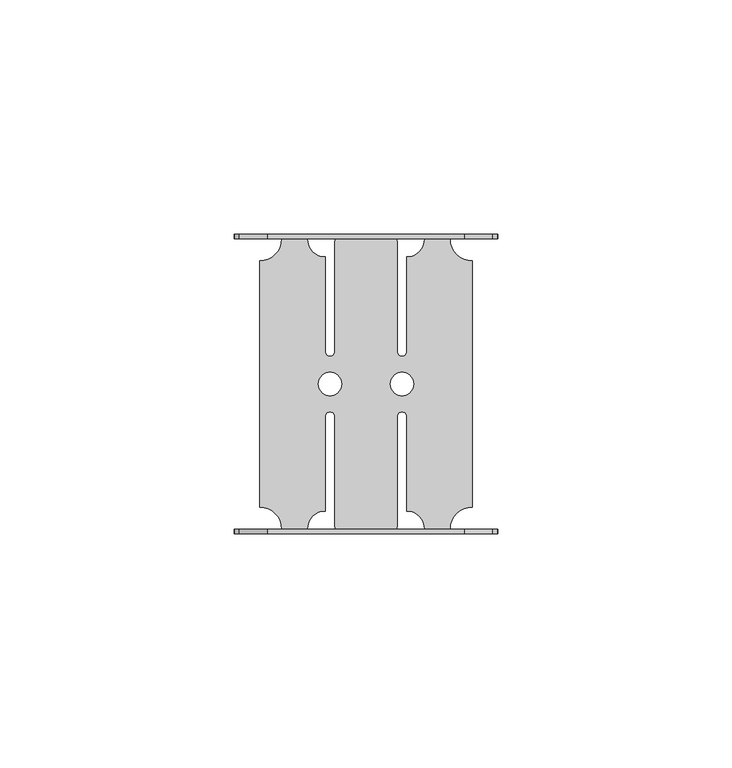
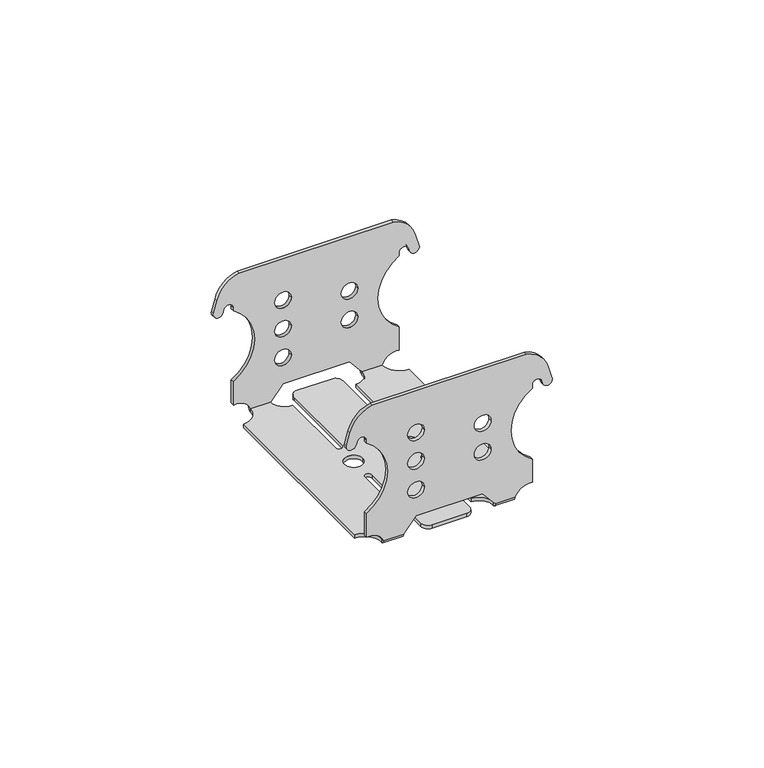
"""IFC4 building model written with IfcOpenShell, lengths in millimetres: proxy geometry."""

from ifc_helpers import new_model, si_unit, frame, origin, place, context, project, spatial, polyline, circle_curve, source, transform, mapped, element, save
from ifc_brep_helpers import plane_surface, cylinder_surface, revolved_surface, advanced_brep


def generic_models_decb46ae(model_context):
    return source(origin(), model_context, "Body", "AdvancedBrep", [
        advanced_brep(
        [(-22.6449775, 26.3068253, -1.0), (-17.9518027, 31.0, -1.0), (-12.5472909, 31.0, -1.0), (-8.690775, 27.143484, -1.0), (-8.690775, 6.9302653, -1.0), (-6.690775, 6.9302653, -1.0), (-6.690775, 30.0, -1.0), (-4.690775, 32.0, -1.0), (4.690775, 32.0, -1.0), (6.690775, 30.0, -1.0), (6.690775, 6.9302653, -1.0), (8.690775, 6.9302653, -1.0), (8.690775, 27.143484, -1.0), (12.5472909, 31.0, -1.0), (17.9518027, 31.0, -1.0), (22.6449775, 26.3068253, -1.0), (22.6449775, -26.3068253, -1.0), (17.9518027, -31.0, -1.0), (12.5472909, -31.0, -1.0), (8.690775, -27.143484, -1.0), (8.690775, -6.9302653, -1.0), (6.690775, -6.9302653, -1.0), (6.690775, -30.0, -1.0), (4.690775, -32.0, -1.0), (-4.690775, -32.0, -1.0), (-6.690775, -30.0, -1.0), (-6.690775, -6.9302653, -1.0), (-8.690775, -6.9302653, -1.0), (-8.690775, -27.143484, -1.0), (-12.5472909, -31.0, -1.0), (-17.9518027, -31.0, -1.0), (-22.6449775, -26.3068253, -1.0), (-10.1727637, 0.0, -1.0), (-5.2087862, 0.0, -1.0), (10.1727637, 0.0, -1.0), (5.2087862, 0.0, -1.0), (-22.6449775, 26.3068253, 0.0), (-22.6449775, -26.3068253, 0.0), (-17.9518027, -31.0, 0.0), (-12.5472909, -31.0, 0.0), (-8.690775, -27.143484, 0.0), (-8.690775, -6.9302653, 0.0), (-6.690775, -6.9302653, 0.0), (-6.690775, -30.0, 0.0), (-4.690775, -32.0, 0.0), (4.690775, -32.0, 0.0), (6.690775, -30.0, 0.0), (6.690775, -6.9302653, 0.0), (8.690775, -6.9302653, 0.0), (8.690775, -27.143484, 0.0), (12.5472909, -31.0, 0.0), (17.9518027, -31.0, 0.0), (22.6449775, -26.3068253, 0.0), (22.6449775, 26.3068253, 0.0), (17.9518027, 31.0, 0.0), (12.5472909, 31.0, 0.0), (8.690775, 27.143484, 0.0), (8.690775, 6.9302653, 0.0), (6.690775, 6.9302653, 0.0), (6.690775, 30.0, 0.0), (4.690775, 32.0, 0.0), (-4.690775, 32.0, 0.0), (-6.690775, 30.0, 0.0), (-6.690775, 6.9302653, 0.0), (-8.690775, 6.9302653, 0.0), (-8.690775, 27.143484, 0.0), (-12.5472909, 31.0, 0.0), (-17.9518027, 31.0, 0.0), (-10.1727637, 0.0, 0.0), (-5.2087862, 0.0, 0.0), (10.1727637, 0.0, 0.0), (5.2087862, 0.0, 0.0), (17.9518027, -32.0, 0.0), (12.5472909, -32.0, 0.0), (-21.0796159, -31.0, 40.2200619), (21.0796159, -31.0, 40.2200619), (27.0948007, -31.0, 34.352135), (28.0978383, -31.0, 31.0296566), (25.5247095, -31.0, 30.2633565), (25.2735464, -31.0, 31.1021726), (22.6449775, -31.0, 30.7645502), (22.6449775, -31.0, 29.8568282), (22.6449775, -31.0, 9.410251), (22.6449775, -31.0, 2.6528515), (9.1052961, -31.0, 4.0831944), (-9.1052961, -31.0, 4.0831944), (-22.6449775, -31.0, 2.6528515), (-22.6449775, -31.0, 9.410251), (-22.6449775, -31.0, 29.8568282), (-22.6449775, -31.0, 30.7645502), (-25.2735464, -31.0, 31.1021726), (-25.5247095, -31.0, 30.2633565), (-28.0978383, -31.0, 31.0296566), (-27.0948007, -31.0, 34.352135), (-11.3852961, -31.0, 11.6790271), (-6.8252961, -31.0, 11.6790271), (-6.8252961, -31.0, 19.9566493), (-11.3852961, -31.0, 19.9566493), (-11.3852961, -31.0, 28.2342716), (-6.8252961, -31.0, 28.2342716), (11.3852961, -31.0, 16.2390271), (6.8252961, -31.0, 16.2390271), (6.8252961, -31.0, 24.5166493), (11.3852961, -31.0, 24.5166493), (-21.0796159, -32.0, 40.2200619), (-27.0948007, -32.0, 34.352135), (-28.0978383, -32.0, 31.0296566), (-25.5247095, -32.0, 30.2633565), (-25.2735464, -32.0, 31.1021726), (-22.6449775, -32.0, 30.7645502), (-22.6449775, -32.0, 29.8568282), (-22.6449775, -32.0, 9.410251), (-22.6449775, -32.0, 2.6528515), (-17.9518027, -32.0, 0.0), (-12.5472909, -32.0, 0.0), (-9.1052961, -32.0, 4.0831944), (9.1052961, -32.0, 4.0831944), (22.6449775, -32.0, 2.6528515), (22.6449775, -32.0, 9.410251), (22.6449775, -32.0, 29.8568282), (22.6449775, -32.0, 30.7645502), (25.2735464, -32.0, 31.1021726), (25.5247095, -32.0, 30.2633565), (28.0978383, -32.0, 31.0296566), (27.0948007, -32.0, 34.352135), (21.0796159, -32.0, 40.2200619), (-11.3852961, -32.0, 11.6790271), (-6.8252961, -32.0, 11.6790271), (-6.8252961, -32.0, 19.9566493), (-11.3852961, -32.0, 19.9566493), (-11.3852961, -32.0, 28.2342716), (-6.8252961, -32.0, 28.2342716), (11.3852961, -32.0, 16.2390271), (6.8252961, -32.0, 16.2390271), (6.8252961, -32.0, 24.5166493), (11.3852961, -32.0, 24.5166493), (17.9518027, 32.0, 0.0), (12.5472909, 32.0, 0.0), (-12.5472909, 32.0, 0.0), (-17.9518027, 32.0, 0.0), (-21.0796159, 31.0, 40.2200619), (-27.0948007, 31.0, 34.352135), (-28.0978383, 31.0, 31.0296566), (-25.5247095, 31.0, 30.2633565), (-25.2735464, 31.0, 31.1021726), (-22.6449775, 31.0, 30.7645502), (-22.6449775, 31.0, 29.8568282), (-22.6449775, 31.0, 9.410251), (-22.6449775, 31.0, 2.6528515), (-9.1052961, 31.0, 4.0831944), (9.1052961, 31.0, 4.0831944), (22.6449775, 31.0, 2.6528515), (22.6449775, 31.0, 9.410251), (22.6449775, 31.0, 29.8568282), (22.6449775, 31.0, 30.7645502), (25.2735464, 31.0, 31.1021726), (25.5247095, 31.0, 30.2633565), (28.0978383, 31.0, 31.0296566), (27.0948007, 31.0, 34.352135), (21.0796159, 31.0, 40.2200619), (-11.3852961, 31.0, 11.6790271), (-6.8252961, 31.0, 11.6790271), (-6.8252961, 31.0, 19.9566493), (-11.3852961, 31.0, 19.9566493), (-11.3852961, 31.0, 28.2342716), (-6.8252961, 31.0, 28.2342716), (11.3852961, 31.0, 16.2390271), (6.8252961, 31.0, 16.2390271), (6.8252961, 31.0, 24.5166493), (11.3852961, 31.0, 24.5166493), (-21.0796159, 32.0, 40.2200619), (21.0796159, 32.0, 40.2200619), (27.0948007, 32.0, 34.352135), (28.0978383, 32.0, 31.0296566), (25.5247095, 32.0, 30.2633565), (25.2735464, 32.0, 31.1021726), (22.6449775, 32.0, 30.7645502), (22.6449775, 32.0, 29.8568282), (22.6449775, 32.0, 9.410251), (22.6449775, 32.0, 2.6528515), (9.1052961, 32.0, 4.0831944), (-9.1052961, 32.0, 4.0831944), (-22.6449775, 32.0, 2.6528515), (-22.6449775, 32.0, 9.410251), (-22.6449775, 32.0, 29.8568282), (-22.6449775, 32.0, 30.7645502), (-25.2735464, 32.0, 31.1021726), (-25.5247095, 32.0, 30.2633565), (-28.0978383, 32.0, 31.0296566), (-27.0948007, 32.0, 34.352135), (-11.3852961, 32.0, 11.6790271), (-6.8252961, 32.0, 11.6790271), (-6.8252961, 32.0, 19.9566493), (-11.3852961, 32.0, 19.9566493), (-11.3852961, 32.0, 28.2342716), (-6.8252961, 32.0, 28.2342716), (11.3852961, 32.0, 16.2390271), (6.8252961, 32.0, 16.2390271), (6.8252961, 32.0, 24.5166493), (11.3852961, 32.0, 24.5166493)],
        [
            (0, 1, circle_curve(frame((-22.6449775, 31.0, -1.0), z_axis=(0.0, 0.0, 1.0), x_axis=(1.0, 0.0, 0.0)), 4.6931747)),
            (1, 2),
            (2, 3, circle_curve(frame((-8.690775, 31.0, -1.0), z_axis=(0.0, 0.0, 1.0), x_axis=(1.0, 0.0, 0.0)), 3.856516)),
            (3, 4),
            (4, 5, circle_curve(frame((-7.690775, 6.9302653, -1.0), z_axis=(0.0, 0.0, 1.0), x_axis=(1.0, 0.0, 0.0)), 1.0)),
            (5, 6),
            (6, 7, circle_curve(frame((-4.690775, 30.0, -1.0), z_axis=(0.0, 0.0, -1.0), x_axis=(1.0, 0.0, 0.0)), 2.0)),
            (7, 8),
            (8, 9, circle_curve(frame((4.690775, 30.0, -1.0), z_axis=(0.0, 0.0, -1.0), x_axis=(-1.0, 0.0, 0.0)), 2.0)),
            (9, 10),
            (10, 11, circle_curve(frame((7.690775, 6.9302653, -1.0), z_axis=(0.0, 0.0, 1.0), x_axis=(-1.0, 0.0, 0.0)), 1.0)),
            (11, 12),
            (12, 13, circle_curve(frame((8.690775, 31.0, -1.0), z_axis=(0.0, 0.0, 1.0), x_axis=(-1.0, 0.0, 0.0)), 3.856516)),
            (13, 14),
            (14, 15, circle_curve(frame((22.6449775, 31.0, -1.0), z_axis=(0.0, 0.0, 1.0), x_axis=(-1.0, 0.0, 0.0)), 4.6931747)),
            (15, 16),
            (16, 17, circle_curve(frame((22.6449775, -31.0, -1.0), z_axis=(0.0, 0.0, 1.0), x_axis=(-1.0, 0.0, 0.0)), 4.6931747)),
            (17, 18),
            (18, 19, circle_curve(frame((8.690775, -31.0, -1.0), z_axis=(0.0, 0.0, 1.0), x_axis=(-1.0, 0.0, 0.0)), 3.856516)),
            (19, 20),
            (20, 21, circle_curve(frame((7.690775, -6.9302653, -1.0), z_axis=(0.0, 0.0, 1.0), x_axis=(-1.0, 0.0, 0.0)), 1.0)),
            (21, 22),
            (22, 23, circle_curve(frame((4.690775, -30.0, -1.0), z_axis=(0.0, 0.0, -1.0), x_axis=(-1.0, 0.0, 0.0)), 2.0)),
            (23, 24),
            (24, 25, circle_curve(frame((-4.690775, -30.0, -1.0), z_axis=(0.0, 0.0, -1.0), x_axis=(1.0, 0.0, 0.0)), 2.0)),
            (25, 26),
            (26, 27, circle_curve(frame((-7.690775, -6.9302653, -1.0), z_axis=(0.0, 0.0, 1.0), x_axis=(1.0, 0.0, 0.0)), 1.0)),
            (27, 28),
            (28, 29, circle_curve(frame((-8.690775, -31.0, -1.0), z_axis=(0.0, 0.0, 1.0), x_axis=(1.0, 0.0, 0.0)), 3.856516)),
            (29, 30),
            (30, 31, circle_curve(frame((-22.6449775, -31.0, -1.0), z_axis=(0.0, 0.0, 1.0), x_axis=(1.0, 0.0, 0.0)), 4.6931747)),
            (31, 0),
            (32, 33, circle_curve(frame((-7.690775, 0.0, -1.0), z_axis=(0.0, 0.0, 1.0), x_axis=(1.0, 0.0, 0.0)), 2.4819887)),
            (33, 32, circle_curve(frame((-7.690775, 0.0, -1.0), z_axis=(0.0, 0.0, 1.0), x_axis=(1.0, 0.0, 0.0)), 2.4819887)),
            (34, 35, circle_curve(frame((7.690775, 0.0, -1.0), z_axis=(0.0, 0.0, 1.0), x_axis=(-1.0, 0.0, 0.0)), 2.4819887)),
            (35, 34, circle_curve(frame((7.690775, 0.0, -1.0), z_axis=(0.0, 0.0, 1.0), x_axis=(-1.0, 0.0, 0.0)), 2.4819887)),
            (36, 37),
            (37, 38, circle_curve(frame((-22.6449775, -31.0, 0.0), z_axis=(0.0, 0.0, -1.0), x_axis=(1.0, 0.0, 0.0)), 4.6931747)),
            (38, 39),
            (39, 40, circle_curve(frame((-8.690775, -31.0, 0.0), z_axis=(0.0, 0.0, -1.0), x_axis=(1.0, 0.0, 0.0)), 3.856516)),
            (40, 41),
            (41, 42, circle_curve(frame((-7.690775, -6.9302653, 0.0), z_axis=(0.0, 0.0, -1.0), x_axis=(1.0, 0.0, 0.0)), 1.0)),
            (42, 43),
            (43, 44, circle_curve(frame((-4.690775, -30.0, 0.0), z_axis=(0.0, 0.0, 1.0), x_axis=(1.0, 0.0, 0.0)), 2.0)),
            (44, 45),
            (45, 46, circle_curve(frame((4.690775, -30.0, 0.0), z_axis=(0.0, 0.0, 1.0), x_axis=(-1.0, 0.0, 0.0)), 2.0)),
            (46, 47),
            (47, 48, circle_curve(frame((7.690775, -6.9302653, 0.0), z_axis=(0.0, 0.0, -1.0), x_axis=(-1.0, 0.0, 0.0)), 1.0)),
            (48, 49),
            (49, 50, circle_curve(frame((8.690775, -31.0, 0.0), z_axis=(0.0, 0.0, -1.0), x_axis=(-1.0, 0.0, 0.0)), 3.856516)),
            (50, 51),
            (51, 52, circle_curve(frame((22.6449775, -31.0, 0.0), z_axis=(0.0, 0.0, -1.0), x_axis=(-1.0, 0.0, 0.0)), 4.6931747)),
            (52, 53),
            (53, 54, circle_curve(frame((22.6449775, 31.0, 0.0), z_axis=(0.0, 0.0, -1.0), x_axis=(-1.0, 0.0, 0.0)), 4.6931747)),
            (54, 55),
            (55, 56, circle_curve(frame((8.690775, 31.0, 0.0), z_axis=(0.0, 0.0, -1.0), x_axis=(-1.0, 0.0, 0.0)), 3.856516)),
            (56, 57),
            (57, 58, circle_curve(frame((7.690775, 6.9302653, 0.0), z_axis=(0.0, 0.0, -1.0), x_axis=(-1.0, 0.0, 0.0)), 1.0)),
            (58, 59),
            (59, 60, circle_curve(frame((4.690775, 30.0, 0.0), z_axis=(0.0, 0.0, 1.0), x_axis=(-1.0, 0.0, 0.0)), 2.0)),
            (60, 61),
            (61, 62, circle_curve(frame((-4.690775, 30.0, 0.0), z_axis=(0.0, 0.0, 1.0), x_axis=(1.0, 0.0, 0.0)), 2.0)),
            (62, 63),
            (63, 64, circle_curve(frame((-7.690775, 6.9302653, 0.0), z_axis=(0.0, 0.0, -1.0), x_axis=(1.0, 0.0, 0.0)), 1.0)),
            (64, 65),
            (65, 66, circle_curve(frame((-8.690775, 31.0, 0.0), z_axis=(0.0, 0.0, -1.0), x_axis=(1.0, 0.0, 0.0)), 3.856516)),
            (66, 67),
            (67, 36, circle_curve(frame((-22.6449775, 31.0, 0.0), z_axis=(0.0, 0.0, -1.0), x_axis=(1.0, 0.0, 0.0)), 4.6931747)),
            (68, 69, circle_curve(frame((-7.690775, 0.0, 0.0), z_axis=(0.0, 0.0, -1.0), x_axis=(1.0, 0.0, 0.0)), 2.4819887)),
            (69, 68, circle_curve(frame((-7.690775, 0.0, 0.0), z_axis=(0.0, 0.0, -1.0), x_axis=(1.0, 0.0, 0.0)), 2.4819887)),
            (70, 71, circle_curve(frame((7.690775, 0.0, 0.0), z_axis=(0.0, 0.0, -1.0), x_axis=(-1.0, 0.0, 0.0)), 2.4819887)),
            (71, 70, circle_curve(frame((7.690775, 0.0, 0.0), z_axis=(0.0, 0.0, -1.0), x_axis=(-1.0, 0.0, 0.0)), 2.4819887)),
            (31, 37),
            (36, 0),
            (27, 41),
            (40, 28),
            (26, 42),
            (25, 43),
            (24, 44),
            (23, 45),
            (22, 46),
            (21, 47),
            (20, 48),
            (19, 49),
            (15, 53),
            (52, 16),
            (11, 57),
            (56, 12),
            (10, 58),
            (9, 59),
            (8, 60),
            (7, 61),
            (6, 62),
            (5, 63),
            (4, 64),
            (3, 65),
            (33, 69),
            (68, 32),
            (35, 71),
            (70, 34),
            (14, 54),
            (55, 13),
            (67, 1),
            (2, 66),
            (51, 17),
            (18, 50),
            (39, 29),
            (30, 38),
            (72, 17, circle_curve(frame((17.9518027, -31.0, 0.0), z_axis=(1.0, 0.0, 0.0), x_axis=(0.0, -1.0, 0.0)), 1.0)),
            (51, 72),
            (18, 73, circle_curve(frame((12.5472909, -31.0, 0.0), z_axis=(-1.0, 0.0, 0.0), x_axis=(0.0, -1.0, 0.0)), 1.0)),
            (73, 50),
            (72, 73),
            (74, 75),
            (75, 76, circle_curve(frame((19.4475177, -31.0, 32.5299729), z_axis=(0.0, 1.0, 0.0), x_axis=(0.9727666340972111, 0.0, 0.23178670278336203)), 7.8613747)),
            (76, 77),
            (77, 78, circle_curve(frame((26.8157597, -31.0, 30.6314439), z_axis=(0.0, 1.0, 0.0), x_axis=(-0.96167806101762, 0.0, -0.2741811571888025)), 1.3424973)),
            (78, 79),
            (79, 80, circle_curve(frame((23.9809446, -31.0, 30.7645502), z_axis=(0.0, -1.0, 0.0), x_axis=(-1.0, 0.0, 0.0)), 1.3359671)),
            (80, 81),
            (81, 82, circle_curve(frame((28.6467898, -31.0, 19.6335396), z_axis=(0.0, -1.0, 0.0), x_axis=(-0.5062749988166371, 0.0, -0.862372092297295)), 11.8548463)),
            (82, 83),
            (83, 51, circle_curve(frame((21.8430555, -31.0, -1.4062507), z_axis=(0.0, -1.0, 0.0), x_axis=(-0.940470787983084, 0.0, 0.33987453118831534)), 4.1375584)),
            (50, 84),
            (84, 85),
            (85, 39),
            (38, 86, circle_curve(frame((-21.8430555, -31.0, -1.4062507), z_axis=(0.0, -1.0, 0.0), x_axis=(0.9404707879830851, 0.0, 0.3398745311883123)), 4.1375584)),
            (86, 87),
            (87, 88, circle_curve(frame((-28.6467898, -31.0, 19.6335396), z_axis=(0.0, -1.0, 0.0), x_axis=(0.5062749988166343, 0.0, -0.8623720922972966)), 11.8548463)),
            (88, 89),
            (89, 90, circle_curve(frame((-23.9809446, -31.0, 30.7645502), z_axis=(0.0, -1.0, 0.0), x_axis=(1.0, 0.0, 0.0)), 1.3359671)),
            (90, 91),
            (91, 92, circle_curve(frame((-26.8157597, -31.0, 30.6314439), z_axis=(0.0, 1.0, 0.0), x_axis=(0.9616780610176191, 0.0, -0.2741811571888056)), 1.3424973)),
            (92, 93),
            (93, 74, circle_curve(frame((-19.4475177, -31.0, 32.5299729), z_axis=(0.0, 1.0, 0.0), x_axis=(-0.9727666340972103, 0.0, 0.23178670278336516)), 7.8613747)),
            (94, 95, circle_curve(frame((-9.1052961, -31.0, 11.6790271), z_axis=(0.0, -1.0, 0.0), x_axis=(1.0, 0.0, 0.0)), 2.28)),
            (95, 94, circle_curve(frame((-9.1052961, -31.0, 11.6790271), z_axis=(0.0, -1.0, 0.0), x_axis=(-1.0, 0.0, 0.0)), 2.28)),
            (96, 97, circle_curve(frame((-9.1052961, -31.0, 19.9566493), z_axis=(0.0, -1.0, 0.0), x_axis=(-1.0, 0.0, 0.0)), 2.28)),
            (97, 96, circle_curve(frame((-9.1052961, -31.0, 19.9566493), z_axis=(0.0, -1.0, 0.0), x_axis=(1.0, 0.0, 0.0)), 2.28)),
            (98, 99, circle_curve(frame((-9.1052961, -31.0, 28.2342716), z_axis=(0.0, -1.0, 0.0), x_axis=(1.0, 0.0, 0.0)), 2.28)),
            (99, 98, circle_curve(frame((-9.1052961, -31.0, 28.2342716), z_axis=(0.0, -1.0, 0.0), x_axis=(-1.0, 0.0, 0.0)), 2.28)),
            (100, 101, circle_curve(frame((9.1052961, -31.0, 16.2390271), z_axis=(0.0, -1.0, 0.0), x_axis=(1.0, 0.0, 0.0)), 2.28)),
            (101, 100, circle_curve(frame((9.1052961, -31.0, 16.2390271), z_axis=(0.0, -1.0, 0.0), x_axis=(-1.0, 0.0, 0.0)), 2.28)),
            (102, 103, circle_curve(frame((9.1052961, -31.0, 24.5166493), z_axis=(0.0, -1.0, 0.0), x_axis=(-1.0, 0.0, 0.0)), 2.28)),
            (103, 102, circle_curve(frame((9.1052961, -31.0, 24.5166493), z_axis=(0.0, -1.0, 0.0), x_axis=(1.0, 0.0, 0.0)), 2.28)),
            (104, 105, circle_curve(frame((-19.4475177, -32.0, 32.5299729), z_axis=(0.0, -1.0, 0.0), x_axis=(-0.9727666340972103, 0.0, 0.23178670278336516)), 7.8613747)),
            (105, 106),
            (106, 107, circle_curve(frame((-26.8157597, -32.0, 30.6314439), z_axis=(0.0, -1.0, 0.0), x_axis=(0.9616780610176191, 0.0, -0.2741811571888056)), 1.3424973)),
            (107, 108),
            (108, 109, circle_curve(frame((-23.9809446, -32.0, 30.7645502), z_axis=(0.0, 1.0, 0.0), x_axis=(1.0, 0.0, 0.0)), 1.3359671)),
            (109, 110),
            (110, 111, circle_curve(frame((-28.6467898, -32.0, 19.6335396), z_axis=(0.0, 1.0, 0.0), x_axis=(0.5062749988166343, 0.0, -0.8623720922972966)), 11.8548463)),
            (111, 112),
            (112, 113, circle_curve(frame((-21.8430555, -32.0, -1.4062507), z_axis=(0.0, 1.0, 0.0), x_axis=(0.9404707879830851, 0.0, 0.3398745311883123)), 4.1375584)),
            (113, 114),
            (114, 115),
            (115, 116),
            (116, 73),
            (72, 117, circle_curve(frame((21.8430555, -32.0, -1.4062507), z_axis=(0.0, 1.0, 0.0), x_axis=(-0.940470787983084, 0.0, 0.33987453118831534)), 4.1375584)),
            (117, 118),
            (118, 119, circle_curve(frame((28.6467898, -32.0, 19.6335396), z_axis=(0.0, 1.0, 0.0), x_axis=(-0.5062749988166371, 0.0, -0.862372092297295)), 11.8548463)),
            (119, 120),
            (120, 121, circle_curve(frame((23.9809446, -32.0, 30.7645502), z_axis=(0.0, 1.0, 0.0), x_axis=(-1.0, 0.0, 0.0)), 1.3359671)),
            (121, 122),
            (122, 123, circle_curve(frame((26.8157597, -32.0, 30.6314439), z_axis=(0.0, -1.0, 0.0), x_axis=(-0.96167806101762, 0.0, -0.2741811571888025)), 1.3424973)),
            (123, 124),
            (124, 125, circle_curve(frame((19.4475177, -32.0, 32.5299729), z_axis=(0.0, -1.0, 0.0), x_axis=(0.9727666340972111, 0.0, 0.23178670278336203)), 7.8613747)),
            (125, 104),
            (126, 127, circle_curve(frame((-9.1052961, -32.0, 11.6790271), z_axis=(0.0, 1.0, 0.0), x_axis=(-1.0, 0.0, 0.0)), 2.28)),
            (127, 126, circle_curve(frame((-9.1052961, -32.0, 11.6790271), z_axis=(0.0, 1.0, 0.0), x_axis=(1.0, 0.0, 0.0)), 2.28)),
            (128, 129, circle_curve(frame((-9.1052961, -32.0, 19.9566493), z_axis=(0.0, 1.0, 0.0), x_axis=(1.0, 0.0, 0.0)), 2.28)),
            (129, 128, circle_curve(frame((-9.1052961, -32.0, 19.9566493), z_axis=(0.0, 1.0, 0.0), x_axis=(-1.0, 0.0, 0.0)), 2.28)),
            (130, 131, circle_curve(frame((-9.1052961, -32.0, 28.2342716), z_axis=(0.0, 1.0, 0.0), x_axis=(-1.0, 0.0, 0.0)), 2.28)),
            (131, 130, circle_curve(frame((-9.1052961, -32.0, 28.2342716), z_axis=(0.0, 1.0, 0.0), x_axis=(1.0, 0.0, 0.0)), 2.28)),
            (132, 133, circle_curve(frame((9.1052961, -32.0, 16.2390271), z_axis=(0.0, 1.0, 0.0), x_axis=(-1.0, 0.0, 0.0)), 2.28)),
            (133, 132, circle_curve(frame((9.1052961, -32.0, 16.2390271), z_axis=(0.0, 1.0, 0.0), x_axis=(1.0, 0.0, 0.0)), 2.28)),
            (134, 135, circle_curve(frame((9.1052961, -32.0, 24.5166493), z_axis=(0.0, 1.0, 0.0), x_axis=(1.0, 0.0, 0.0)), 2.28)),
            (135, 134, circle_curve(frame((9.1052961, -32.0, 24.5166493), z_axis=(0.0, 1.0, 0.0), x_axis=(-1.0, 0.0, 0.0)), 2.28)),
            (93, 105),
            (104, 74),
            (92, 106),
            (91, 107),
            (90, 108),
            (89, 109),
            (88, 110),
            (87, 111),
            (86, 112),
            (38, 113),
            (85, 115),
            (114, 39),
            (84, 116),
            (83, 117),
            (82, 118),
            (81, 119),
            (80, 120),
            (79, 121),
            (78, 122),
            (77, 123),
            (76, 124),
            (75, 125),
            (95, 127),
            (126, 94),
            (97, 129),
            (128, 96),
            (99, 131),
            (130, 98),
            (101, 133),
            (132, 100),
            (103, 135),
            (134, 102),
            (114, 29, circle_curve(frame((-12.5472909, -31.0, 0.0), z_axis=(1.0, 0.0, 0.0), x_axis=(0.0, -1.0, 0.0)), 1.0)),
            (30, 113, circle_curve(frame((-17.9518027, -31.0, 0.0), z_axis=(-1.0, 0.0, 0.0), x_axis=(0.0, -1.0, 0.0)), 1.0)),
            (14, 136, circle_curve(frame((17.9518027, 31.0, 0.0), z_axis=(1.0, 0.0, 0.0), x_axis=(0.0, 1.0, 0.0)), 1.0)),
            (136, 54),
            (137, 13, circle_curve(frame((12.5472909, 31.0, 0.0), z_axis=(-1.0, 0.0, 0.0), x_axis=(0.0, 1.0, 0.0)), 1.0)),
            (55, 137),
            (137, 136),
            (2, 138, circle_curve(frame((-12.5472909, 31.0, 0.0), z_axis=(1.0, 0.0, 0.0), x_axis=(0.0, 1.0, 0.0)), 1.0)),
            (138, 66),
            (139, 1, circle_curve(frame((-17.9518027, 31.0, 0.0), z_axis=(-1.0, 0.0, 0.0), x_axis=(0.0, 1.0, 0.0)), 1.0)),
            (67, 139),
            (139, 138),
            (140, 141, circle_curve(frame((-19.4475177, 31.0, 32.5299729), z_axis=(0.0, -1.0, 0.0), x_axis=(-0.9727666340972103, 0.0, 0.23178670278336516)), 7.8613747)),
            (141, 142),
            (142, 143, circle_curve(frame((-26.8157597, 31.0, 30.6314439), z_axis=(0.0, -1.0, 0.0), x_axis=(0.9616780610176191, 0.0, -0.2741811571888056)), 1.3424973)),
            (143, 144),
            (144, 145, circle_curve(frame((-23.9809446, 31.0, 30.7645502), z_axis=(0.0, 1.0, 0.0), x_axis=(1.0, 0.0, 0.0)), 1.3359671)),
            (145, 146),
            (146, 147, circle_curve(frame((-28.6467898, 31.0, 19.6335396), z_axis=(0.0, 1.0, 0.0), x_axis=(0.5062749988166343, 0.0, -0.8623720922972966)), 11.8548463)),
            (147, 148),
            (148, 67, circle_curve(frame((-21.8430555, 31.0, -1.4062507), z_axis=(0.0, 1.0, 0.0), x_axis=(0.9404707879830851, 0.0, 0.3398745311883123)), 4.1375584)),
            (66, 149),
            (149, 150),
            (150, 55),
            (54, 151, circle_curve(frame((21.8430555, 31.0, -1.4062507), z_axis=(0.0, 1.0, 0.0), x_axis=(-0.940470787983084, 0.0, 0.33987453118831534)), 4.1375584)),
            (151, 152),
            (152, 153, circle_curve(frame((28.6467898, 31.0, 19.6335396), z_axis=(0.0, 1.0, 0.0), x_axis=(-0.5062749988166371, 0.0, -0.862372092297295)), 11.8548463)),
            (153, 154),
            (154, 155, circle_curve(frame((23.9809446, 31.0, 30.7645502), z_axis=(0.0, 1.0, 0.0), x_axis=(-1.0, 0.0, 0.0)), 1.3359671)),
            (155, 156),
            (156, 157, circle_curve(frame((26.8157597, 31.0, 30.6314439), z_axis=(0.0, -1.0, 0.0), x_axis=(-0.96167806101762, 0.0, -0.2741811571888025)), 1.3424973)),
            (157, 158),
            (158, 159, circle_curve(frame((19.4475177, 31.0, 32.5299729), z_axis=(0.0, -1.0, 0.0), x_axis=(0.9727666340972111, 0.0, 0.23178670278336203)), 7.8613747)),
            (159, 140),
            (160, 161, circle_curve(frame((-9.1052961, 31.0, 11.6790271), z_axis=(0.0, 1.0, 0.0), x_axis=(-1.0, 0.0, 0.0)), 2.28)),
            (161, 160, circle_curve(frame((-9.1052961, 31.0, 11.6790271), z_axis=(0.0, 1.0, 0.0), x_axis=(1.0, 0.0, 0.0)), 2.28)),
            (162, 163, circle_curve(frame((-9.1052961, 31.0, 19.9566493), z_axis=(0.0, 1.0, 0.0), x_axis=(1.0, 0.0, 0.0)), 2.28)),
            (163, 162, circle_curve(frame((-9.1052961, 31.0, 19.9566493), z_axis=(0.0, 1.0, 0.0), x_axis=(-1.0, 0.0, 0.0)), 2.28)),
            (164, 165, circle_curve(frame((-9.1052961, 31.0, 28.2342716), z_axis=(0.0, 1.0, 0.0), x_axis=(-1.0, 0.0, 0.0)), 2.28)),
            (165, 164, circle_curve(frame((-9.1052961, 31.0, 28.2342716), z_axis=(0.0, 1.0, 0.0), x_axis=(1.0, 0.0, 0.0)), 2.28)),
            (166, 167, circle_curve(frame((9.1052961, 31.0, 16.2390271), z_axis=(0.0, 1.0, 0.0), x_axis=(-1.0, 0.0, 0.0)), 2.28)),
            (167, 166, circle_curve(frame((9.1052961, 31.0, 16.2390271), z_axis=(0.0, 1.0, 0.0), x_axis=(1.0, 0.0, 0.0)), 2.28)),
            (168, 169, circle_curve(frame((9.1052961, 31.0, 24.5166493), z_axis=(0.0, 1.0, 0.0), x_axis=(1.0, 0.0, 0.0)), 2.28)),
            (169, 168, circle_curve(frame((9.1052961, 31.0, 24.5166493), z_axis=(0.0, 1.0, 0.0), x_axis=(-1.0, 0.0, 0.0)), 2.28)),
            (170, 171),
            (171, 172, circle_curve(frame((19.4475177, 32.0, 32.5299729), z_axis=(0.0, 1.0, 0.0), x_axis=(0.9727666340972111, 0.0, 0.23178670278336203)), 7.8613747)),
            (172, 173),
            (173, 174, circle_curve(frame((26.8157597, 32.0, 30.6314439), z_axis=(0.0, 1.0, 0.0), x_axis=(-0.96167806101762, 0.0, -0.2741811571888025)), 1.3424973)),
            (174, 175),
            (175, 176, circle_curve(frame((23.9809446, 32.0, 30.7645502), z_axis=(0.0, -1.0, 0.0), x_axis=(-1.0, 0.0, 0.0)), 1.3359671)),
            (176, 177),
            (177, 178, circle_curve(frame((28.6467898, 32.0, 19.6335396), z_axis=(0.0, -1.0, 0.0), x_axis=(-0.5062749988166371, 0.0, -0.862372092297295)), 11.8548463)),
            (178, 179),
            (179, 136, circle_curve(frame((21.8430555, 32.0, -1.4062507), z_axis=(0.0, -1.0, 0.0), x_axis=(-0.940470787983084, 0.0, 0.33987453118831534)), 4.1375584)),
            (137, 180),
            (180, 181),
            (181, 138),
            (139, 182, circle_curve(frame((-21.8430555, 32.0, -1.4062507), z_axis=(0.0, -1.0, 0.0), x_axis=(0.9404707879830851, 0.0, 0.3398745311883123)), 4.1375584)),
            (182, 183),
            (183, 184, circle_curve(frame((-28.6467898, 32.0, 19.6335396), z_axis=(0.0, -1.0, 0.0), x_axis=(0.5062749988166343, 0.0, -0.8623720922972966)), 11.8548463)),
            (184, 185),
            (185, 186, circle_curve(frame((-23.9809446, 32.0, 30.7645502), z_axis=(0.0, -1.0, 0.0), x_axis=(1.0, 0.0, 0.0)), 1.3359671)),
            (186, 187),
            (187, 188, circle_curve(frame((-26.8157597, 32.0, 30.6314439), z_axis=(0.0, 1.0, 0.0), x_axis=(0.9616780610176191, 0.0, -0.2741811571888056)), 1.3424973)),
            (188, 189),
            (189, 170, circle_curve(frame((-19.4475177, 32.0, 32.5299729), z_axis=(0.0, 1.0, 0.0), x_axis=(-0.9727666340972103, 0.0, 0.23178670278336516)), 7.8613747)),
            (190, 191, circle_curve(frame((-9.1052961, 32.0, 11.6790271), z_axis=(0.0, -1.0, 0.0), x_axis=(1.0, 0.0, 0.0)), 2.28)),
            (191, 190, circle_curve(frame((-9.1052961, 32.0, 11.6790271), z_axis=(0.0, -1.0, 0.0), x_axis=(-1.0, 0.0, 0.0)), 2.28)),
            (192, 193, circle_curve(frame((-9.1052961, 32.0, 19.9566493), z_axis=(0.0, -1.0, 0.0), x_axis=(-1.0, 0.0, 0.0)), 2.28)),
            (193, 192, circle_curve(frame((-9.1052961, 32.0, 19.9566493), z_axis=(0.0, -1.0, 0.0), x_axis=(1.0, 0.0, 0.0)), 2.28)),
            (194, 195, circle_curve(frame((-9.1052961, 32.0, 28.2342716), z_axis=(0.0, -1.0, 0.0), x_axis=(1.0, 0.0, 0.0)), 2.28)),
            (195, 194, circle_curve(frame((-9.1052961, 32.0, 28.2342716), z_axis=(0.0, -1.0, 0.0), x_axis=(-1.0, 0.0, 0.0)), 2.28)),
            (196, 197, circle_curve(frame((9.1052961, 32.0, 16.2390271), z_axis=(0.0, -1.0, 0.0), x_axis=(1.0, 0.0, 0.0)), 2.28)),
            (197, 196, circle_curve(frame((9.1052961, 32.0, 16.2390271), z_axis=(0.0, -1.0, 0.0), x_axis=(-1.0, 0.0, 0.0)), 2.28)),
            (198, 199, circle_curve(frame((9.1052961, 32.0, 24.5166493), z_axis=(0.0, -1.0, 0.0), x_axis=(-1.0, 0.0, 0.0)), 2.28)),
            (199, 198, circle_curve(frame((9.1052961, 32.0, 24.5166493), z_axis=(0.0, -1.0, 0.0), x_axis=(1.0, 0.0, 0.0)), 2.28)),
            (140, 170),
            (189, 141),
            (188, 142),
            (187, 143),
            (186, 144),
            (185, 145),
            (184, 146),
            (183, 147),
            (182, 148),
            (181, 149),
            (180, 150),
            (179, 151),
            (178, 152),
            (177, 153),
            (176, 154),
            (175, 155),
            (174, 156),
            (173, 157),
            (172, 158),
            (171, 159),
            (160, 190),
            (191, 161),
            (162, 192),
            (193, 163),
            (164, 194),
            (195, 165),
            (166, 196),
            (197, 167),
            (168, 198),
            (199, 169),
        ],
        [
            plane_surface(frame((-17.9518027, 31.0, -1.0), z_axis=(0.0, 0.0, -1.0), x_axis=(0.0, 1.0, 0.0))),
            plane_surface(frame((-17.9518027, 31.0, 0.0), z_axis=(0.0, 0.0, 1.0), x_axis=(0.0, -1.0, 0.0))),
            plane_surface(frame((-22.6449775, -26.3068253, -1.0), z_axis=(-1.0, 0.0, 0.0), x_axis=(0.0, 0.0, 1.0))),
            plane_surface(frame((-8.690775, -6.9302653, -1.0), z_axis=(1.0, 0.0, 0.0), x_axis=(0.0, 0.0, 1.0))),
            revolved_surface(polyline([(-6.690775, -6.9302653, 0.0), (-6.690775, -6.9302653, -1.0)]), (-7.690775, -6.9302653, 0.0), (0.0, 0.0, 1.0)),
            plane_surface(frame((-6.690775, -30.0, -1.0), z_axis=(-1.0, 0.0, 0.0), x_axis=(0.0, 0.0, 1.0))),
            cylinder_surface(frame((-4.690775, -30.0, 0.0), z_axis=(0.0, 0.0, -1.0), x_axis=(1.0, 0.0, 0.0)), 2.0),
            plane_surface(frame((4.690775, -32.0, -1.0), z_axis=(0.0, -1.0, 0.0), x_axis=(0.0, 0.0, 1.0))),
            cylinder_surface(frame((4.690775, -30.0, 0.0), z_axis=(0.0, 0.0, -1.0), x_axis=(-1.0, 0.0, 0.0)), 2.0),
            plane_surface(frame((6.690775, -6.9302653, -1.0), z_axis=(1.0, 0.0, 0.0), x_axis=(0.0, 0.0, 1.0))),
            revolved_surface(polyline([(6.690775, -6.9302653, 0.0), (6.690775, -6.9302653, -1.0)]), (7.690775, -6.9302653, 0.0), (0.0, 0.0, 1.0)),
            plane_surface(frame((8.690775, -27.143484, -1.0), z_axis=(-1.0, 0.0, 0.0), x_axis=(0.0, 0.0, 1.0))),
            plane_surface(frame((22.6449775, 26.3068253, -1.0), z_axis=(1.0, 0.0, 0.0), x_axis=(0.0, 0.0, 1.0))),
            plane_surface(frame((8.690775, 6.9302653, -1.0), z_axis=(-1.0, 0.0, 0.0), x_axis=(0.0, 0.0, 1.0))),
            revolved_surface(polyline([(6.690775, 6.9302653, 0.0), (6.690775, 6.9302653, -1.0)]), (7.690775, 6.9302653, 0.0), (0.0, 0.0, 1.0)),
            plane_surface(frame((6.690775, 30.0, -1.0), z_axis=(1.0, 0.0, 0.0), x_axis=(0.0, 0.0, 1.0))),
            cylinder_surface(frame((4.690775, 30.0, 0.0), z_axis=(0.0, 0.0, -1.0), x_axis=(-1.0, 0.0, 0.0)), 2.0),
            plane_surface(frame((-4.690775, 32.0, -1.0), z_axis=(0.0, 1.0, 0.0), x_axis=(0.0, 0.0, 1.0))),
            cylinder_surface(frame((-4.690775, 30.0, 0.0), z_axis=(0.0, 0.0, -1.0), x_axis=(1.0, 0.0, 0.0)), 2.0),
            plane_surface(frame((-6.690775, 6.9302653, -1.0), z_axis=(-1.0, 0.0, 0.0), x_axis=(0.0, 0.0, 1.0))),
            revolved_surface(polyline([(-6.690775, 6.9302653, 0.0), (-6.690775, 6.9302653, -1.0)]), (-7.690775, 6.9302653, 0.0), (0.0, 0.0, 1.0)),
            plane_surface(frame((-8.690775, 27.143484, -1.0), z_axis=(1.0, 0.0, 0.0), x_axis=(0.0, 0.0, 1.0))),
            revolved_surface(polyline([(-5.2087863, 0.0, 0.0), (-5.2087863, 0.0, -1.0)]), (-7.690775, 0.0, -1.0), (0.0, 0.0, 1.0)),
            revolved_surface(polyline([(5.2087863, 0.0, 0.0), (5.2087863, 0.0, -1.0)]), (7.690775, 0.0, -1.0), (0.0, 0.0, 1.0)),
            revolved_surface(polyline([(17.9518028, 31.0, 0.0), (17.9518028, 31.0, -1.0)]), (22.6449775, 31.0, 0.0), (0.0, 0.0, 1.0)),
            revolved_surface(polyline([(4.834259, 31.0, 0.0), (4.834259, 31.0, -1.0)]), (8.690775, 31.0, 0.0), (0.0, 0.0, 1.0)),
            revolved_surface(polyline([(-17.9518028, 31.0, 0.0), (-17.9518028, 31.0, -1.0)]), (-22.6449775, 31.0, 0.0), (0.0, 0.0, 1.0)),
            revolved_surface(polyline([(-4.834259, 31.0, 0.0), (-4.834259, 31.0, -1.0)]), (-8.690775, 31.0, 0.0), (0.0, 0.0, 1.0)),
            revolved_surface(polyline([(17.9518028, -31.0, 0.0), (17.9518028, -31.0, -1.0)]), (22.6449775, -31.0, 0.0), (0.0, 0.0, 1.0)),
            revolved_surface(polyline([(4.834259, -31.0, 0.0), (4.834259, -31.0, -1.0)]), (8.690775, -31.0, 0.0), (0.0, 0.0, 1.0)),
            revolved_surface(polyline([(-4.834259, -31.0, 0.0), (-4.834259, -31.0, -1.0)]), (-8.690775, -31.0, 0.0), (0.0, 0.0, 1.0)),
            revolved_surface(polyline([(-17.9518028, -31.0, 0.0), (-17.9518028, -31.0, -1.0)]), (-22.6449775, -31.0, 0.0), (0.0, 0.0, 1.0)),
            plane_surface(frame((17.9518027, -31.0, -1.0), z_axis=(1.0, 0.0, 0.0), x_axis=(0.0, 0.0, 1.0))),
            plane_surface(frame((12.5472909, -31.0, -1.0), z_axis=(-1.0, 0.0, 0.0), x_axis=(0.0, 0.0, -1.0))),
            cylinder_surface(frame((12.5472909, -31.0, 0.0), z_axis=(1.0, 0.0, 0.0), x_axis=(0.0, -1.0, 0.0)), 1.0),
            plane_surface(frame((-21.0796159, -31.0, 40.2200619), z_axis=(0.0, 1.0, 0.0), x_axis=(1.0, 0.0, 0.0))),
            plane_surface(frame((-21.0796159, -32.0, 40.2200619), z_axis=(0.0, -1.0, 0.0), x_axis=(-1.0, 0.0, 0.0))),
            cylinder_surface(frame((-19.4475177, -32.0, 32.5299729), z_axis=(0.0, 1.0, 0.0), x_axis=(-0.9727666340972103, 0.0, 0.23178670278336516)), 7.8613747),
            plane_surface(frame((-28.0978383, -31.0, 31.0296566), z_axis=(-0.957325703217708, 0.0, 0.2890112419244636), x_axis=(0.0, -1.0, 0.0))),
            cylinder_surface(frame((-26.8157597, -32.0, 30.6314439), z_axis=(0.0, 1.0, 0.0), x_axis=(0.9616780610176191, 0.0, -0.2741811571888056)), 1.3424973),
            plane_surface(frame((-25.2735464, -31.0, 31.1021726), z_axis=(0.9579775560328044, 0.0, -0.28684316644712876), x_axis=(0.0, -1.0, 0.0))),
            revolved_surface(polyline([(-22.6449775, -32.0, 30.7645502), (-22.6449775, -31.0, 30.7645502)]), (-23.9809446, -32.0, 30.7645502), (0.0, -1.0, 0.0)),
            plane_surface(frame((-22.6449775, -31.0, 29.8568282), z_axis=(-1.0, 0.0, 0.0), x_axis=(0.0, -1.0, 0.0))),
            revolved_surface(polyline([(-22.64497750349612, -32.0, 9.410250992406134), (-22.64497750349612, -31.0, 9.410250992406134)]), (-28.6467898, -32.0, 19.6335396), (0.0, -1.0, 0.0)),
            plane_surface(frame((-22.6449775, -31.0, 2.6528515), z_axis=(-1.0, 0.0, 0.0), x_axis=(0.0, -1.0, 0.0))),
            revolved_surface(polyline([(-17.951802691225964, -32.0, 2.1464263477710688e-08), (-17.951802691225964, -31.0, 2.1464263477710688e-08)]), (-21.8430555, -32.0, -1.4062507), (0.0, -1.0000000000000002, 0.0)),
            plane_surface(frame((-9.1052961, -31.0, 4.0831944), z_axis=(0.7645867773419013, 0.0, -0.644520798666673), x_axis=(0.0, -1.0, 0.0))),
            plane_surface(frame((9.1052961, -31.0, 4.0831944), z_axis=(0.0, 0.0, -1.0), x_axis=(0.0, -1.0, 0.0))),
            plane_surface(frame((12.5472909, -31.0, 0.0), z_axis=(-0.7645867773419034, 0.0, -0.6445207986666706), x_axis=(0.0, -1.0, 0.0))),
            revolved_surface(polyline([(17.95180269122597, -32.0, 2.146427613425317e-08), (17.95180269122597, -31.0, 2.146427613425317e-08)]), (21.8430555, -32.0, -1.4062507), (0.0, -1.0000000000000002, 0.0)),
            plane_surface(frame((22.6449775, -31.0, 9.410251), z_axis=(1.0, 0.0, 0.0), x_axis=(0.0, -1.0, 0.0))),
            revolved_surface(polyline([(22.644977503496087, -32.0, 9.410250992406153), (22.644977503496087, -31.0, 9.410250992406153)]), (28.6467898, -32.0, 19.6335396), (0.0, -1.0, 0.0)),
            plane_surface(frame((22.6449775, -31.0, 30.7645502), z_axis=(1.0, 0.0, 0.0), x_axis=(0.0, -1.0, 0.0))),
            revolved_surface(polyline([(22.6449775, -32.0, 30.7645502), (22.6449775, -31.0, 30.7645502)]), (23.9809446, -32.0, 30.7645502), (0.0, -1.0, 0.0)),
            plane_surface(frame((25.5247095, -31.0, 30.2633565), z_axis=(-0.9579775560328059, 0.0, -0.2868431664471239), x_axis=(0.0, -1.0, 0.0))),
            cylinder_surface(frame((26.8157597, -32.0, 30.6314439), z_axis=(0.0, 1.0, 0.0), x_axis=(-0.96167806101762, 0.0, -0.2741811571888025)), 1.3424973),
            plane_surface(frame((27.0948007, -31.0, 34.352135), z_axis=(0.9573257032177092, 0.0, 0.28901124192445987), x_axis=(0.0, -1.0, 0.0))),
            cylinder_surface(frame((19.4475177, -32.0, 32.5299729), z_axis=(0.0, 1.0, 0.0), x_axis=(0.9727666340972111, 0.0, 0.23178670278336203)), 7.8613747),
            plane_surface(frame((-21.0796159, -31.0, 40.2200619), z_axis=(0.0, 0.0, 1.0), x_axis=(0.0, -1.0, 0.0))),
            revolved_surface(polyline([(-11.3852961, -32.0, 11.6790271), (-11.3852961, -31.0, 11.6790271)]), (-9.1052961, -32.0, 11.6790271), (0.0, -1.0, 0.0)),
            revolved_surface(polyline([(-6.825296100000001, -32.0, 11.6790271), (-6.825296100000001, -31.0, 11.6790271)]), (-9.1052961, -32.0, 11.6790271), (0.0, -1.0, 0.0)),
            revolved_surface(polyline([(-6.825296100000001, -32.0, 19.9566493), (-6.825296100000001, -31.0, 19.9566493)]), (-9.1052961, -32.0, 19.9566493), (0.0, -1.0, 0.0)),
            revolved_surface(polyline([(-11.3852961, -32.0, 19.9566493), (-11.3852961, -31.0, 19.9566493)]), (-9.1052961, -32.0, 19.9566493), (0.0, -1.0, 0.0)),
            revolved_surface(polyline([(-11.3852961, -32.0, 28.2342716), (-11.3852961, -31.0, 28.2342716)]), (-9.1052961, -32.0, 28.2342716), (0.0, -1.0, 0.0)),
            revolved_surface(polyline([(-6.825296100000001, -32.0, 28.2342716), (-6.825296100000001, -31.0, 28.2342716)]), (-9.1052961, -32.0, 28.2342716), (0.0, -1.0, 0.0)),
            revolved_surface(polyline([(6.825296100000001, -32.0, 16.2390271), (6.825296100000001, -31.0, 16.2390271)]), (9.1052961, -32.0, 16.2390271), (0.0, -1.0, 0.0)),
            revolved_surface(polyline([(11.3852961, -32.0, 16.2390271), (11.3852961, -31.0, 16.2390271)]), (9.1052961, -32.0, 16.2390271), (0.0, -1.0, 0.0)),
            revolved_surface(polyline([(11.3852961, -32.0, 24.5166493), (11.3852961, -31.0, 24.5166493)]), (9.1052961, -32.0, 24.5166493), (0.0, -1.0, 0.0)),
            revolved_surface(polyline([(6.825296100000001, -32.0, 24.5166493), (6.825296100000001, -31.0, 24.5166493)]), (9.1052961, -32.0, 24.5166493), (0.0, -1.0, 0.0)),
            plane_surface(frame((-12.5472909, -31.0, -1.0), z_axis=(1.0, 0.0, 0.0), x_axis=(0.0, 0.0, 1.0))),
            plane_surface(frame((-17.9518027, -31.0, -1.0), z_axis=(-1.0, 0.0, 0.0), x_axis=(0.0, 0.0, -1.0))),
            cylinder_surface(frame((-17.9518027, -31.0, 0.0), z_axis=(1.0, 0.0, 0.0), x_axis=(0.0, -1.0, 0.0)), 1.0),
            plane_surface(frame((17.9518027, 32.0, 0.0), z_axis=(1.0, 0.0, 0.0), x_axis=(0.0, 0.0, 1.0))),
            plane_surface(frame((12.5472909, 32.0, 0.0), z_axis=(-1.0, 0.0, 0.0), x_axis=(0.0, 0.0, -1.0))),
            cylinder_surface(frame((12.5472909, 31.0, 0.0), z_axis=(1.0, 0.0, 0.0), x_axis=(0.0, 1.0, 0.0)), 1.0),
            plane_surface(frame((-12.5472909, 32.0, 0.0), z_axis=(1.0, 0.0, 0.0), x_axis=(0.0, 0.0, 1.0))),
            plane_surface(frame((-17.9518027, 32.0, 0.0), z_axis=(-1.0, 0.0, 0.0), x_axis=(0.0, 0.0, -1.0))),
            cylinder_surface(frame((-17.9518027, 31.0, 0.0), z_axis=(1.0, 0.0, 0.0), x_axis=(0.0, 1.0, 0.0)), 1.0),
            plane_surface(frame((-27.0948007, 31.0, 34.352135), z_axis=(0.0, -1.0, 0.0), x_axis=(-0.23178670278336516, 0.0, -0.9727666340972103))),
            plane_surface(frame((-27.0948007, 32.0, 34.352135), z_axis=(0.0, 1.0, 0.0), x_axis=(0.23178670278336516, 0.0, 0.9727666340972103))),
            cylinder_surface(frame((-19.4475177, 32.0, 32.5299729), z_axis=(0.0, -1.0, 0.0), x_axis=(-0.9727666340972103, 0.0, 0.23178670278336516)), 7.8613747),
            plane_surface(frame((-27.0948007, 31.0, 34.352135), z_axis=(-0.957325703217708, 0.0, 0.2890112419244636), x_axis=(0.0, 1.0, 0.0))),
            cylinder_surface(frame((-26.8157597, 32.0, 30.6314439), z_axis=(0.0, -1.0, 0.0), x_axis=(0.9616780610176191, 0.0, -0.2741811571888056)), 1.3424973),
            plane_surface(frame((-25.5247095, 31.0, 30.2633565), z_axis=(0.9579775560328044, 0.0, -0.28684316644712876), x_axis=(0.0, 1.0, 0.0))),
            revolved_surface(polyline([(-22.6449775, 32.0, 30.7645502), (-22.6449775, 31.0, 30.7645502)]), (-23.9809446, 32.0, 30.7645502), (0.0, 1.0, 0.0)),
            plane_surface(frame((-22.6449775, 31.0, 30.7645502), z_axis=(-1.0, 0.0, 0.0), x_axis=(0.0, 1.0, 0.0))),
            revolved_surface(polyline([(-22.64497750349612, 32.0, 9.410250992406134), (-22.64497750349612, 31.0, 9.410250992406134)]), (-28.6467898, 32.0, 19.6335396), (0.0, 1.0, 0.0)),
            plane_surface(frame((-22.6449775, 31.0, 9.410251), z_axis=(-1.0, 0.0, 0.0), x_axis=(0.0, 1.0, 0.0))),
            revolved_surface(polyline([(-17.951802691225964, 32.0, 2.1464263477710688e-08), (-17.951802691225964, 31.0, 2.1464263477710688e-08)]), (-21.8430555, 32.0, -1.4062507), (0.0, 1.0000000000000002, 0.0)),
            plane_surface(frame((-12.5472909, 31.0, 0.0), z_axis=(0.7645867773419013, 0.0, -0.644520798666673), x_axis=(0.0, 1.0, 0.0))),
            plane_surface(frame((-9.1052961, 31.0, 4.0831944), z_axis=(0.0, 0.0, -1.0), x_axis=(0.0, 1.0, 0.0))),
            plane_surface(frame((9.1052961, 31.0, 4.0831944), z_axis=(-0.7645867773419034, 0.0, -0.6445207986666706), x_axis=(0.0, 1.0, 0.0))),
            revolved_surface(polyline([(17.95180269122597, 32.0, 2.146427613425317e-08), (17.95180269122597, 31.0, 2.146427613425317e-08)]), (21.8430555, 32.0, -1.4062507), (0.0, 1.0000000000000002, 0.0)),
            plane_surface(frame((22.6449775, 31.0, 2.6528515), z_axis=(1.0, 0.0, 0.0), x_axis=(0.0, 1.0, 0.0))),
            revolved_surface(polyline([(22.644977503496087, 32.0, 9.410250992406153), (22.644977503496087, 31.0, 9.410250992406153)]), (28.6467898, 32.0, 19.6335396), (0.0, 1.0, 0.0)),
            plane_surface(frame((22.6449775, 31.0, 29.8568282), z_axis=(1.0, 0.0, 0.0), x_axis=(0.0, 1.0, 0.0))),
            revolved_surface(polyline([(22.6449775, 32.0, 30.7645502), (22.6449775, 31.0, 30.7645502)]), (23.9809446, 32.0, 30.7645502), (0.0, 1.0, 0.0)),
            plane_surface(frame((25.2735464, 31.0, 31.1021726), z_axis=(-0.9579775560328059, 0.0, -0.2868431664471239), x_axis=(0.0, 1.0, 0.0))),
            cylinder_surface(frame((26.8157597, 32.0, 30.6314439), z_axis=(0.0, -1.0, 0.0), x_axis=(-0.96167806101762, 0.0, -0.2741811571888025)), 1.3424973),
            plane_surface(frame((28.0978383, 31.0, 31.0296566), z_axis=(0.9573257032177092, 0.0, 0.28901124192445987), x_axis=(0.0, 1.0, 0.0))),
            cylinder_surface(frame((19.4475177, 32.0, 32.5299729), z_axis=(0.0, -1.0, 0.0), x_axis=(0.9727666340972111, 0.0, 0.23178670278336203)), 7.8613747),
            plane_surface(frame((21.0796159, 31.0, 40.2200619), z_axis=(0.0, 0.0, 1.0), x_axis=(0.0, 1.0, 0.0))),
            revolved_surface(polyline([(-11.3852961, 32.0, 11.6790271), (-11.3852961, 31.0, 11.6790271)]), (-9.1052961, 32.0, 11.6790271), (0.0, 1.0, 0.0)),
            revolved_surface(polyline([(-6.825296100000001, 32.0, 11.6790271), (-6.825296100000001, 31.0, 11.6790271)]), (-9.1052961, 32.0, 11.6790271), (0.0, 1.0, 0.0)),
            revolved_surface(polyline([(-6.825296100000001, 32.0, 19.9566493), (-6.825296100000001, 31.0, 19.9566493)]), (-9.1052961, 32.0, 19.9566493), (0.0, 1.0, 0.0)),
            revolved_surface(polyline([(-11.3852961, 32.0, 19.9566493), (-11.3852961, 31.0, 19.9566493)]), (-9.1052961, 32.0, 19.9566493), (0.0, 1.0, 0.0)),
            revolved_surface(polyline([(-11.3852961, 32.0, 28.2342716), (-11.3852961, 31.0, 28.2342716)]), (-9.1052961, 32.0, 28.2342716), (0.0, 1.0, 0.0)),
            revolved_surface(polyline([(-6.825296100000001, 32.0, 28.2342716), (-6.825296100000001, 31.0, 28.2342716)]), (-9.1052961, 32.0, 28.2342716), (0.0, 1.0, 0.0)),
            revolved_surface(polyline([(6.825296100000001, 32.0, 16.2390271), (6.825296100000001, 31.0, 16.2390271)]), (9.1052961, 32.0, 16.2390271), (0.0, 1.0, 0.0)),
            revolved_surface(polyline([(11.3852961, 32.0, 16.2390271), (11.3852961, 31.0, 16.2390271)]), (9.1052961, 32.0, 16.2390271), (0.0, 1.0, 0.0)),
            revolved_surface(polyline([(11.3852961, 32.0, 24.5166493), (11.3852961, 31.0, 24.5166493)]), (9.1052961, 32.0, 24.5166493), (0.0, 1.0, 0.0)),
            revolved_surface(polyline([(6.825296100000001, 32.0, 24.5166493), (6.825296100000001, 31.0, 24.5166493)]), (9.1052961, 32.0, 24.5166493), (0.0, 1.0, 0.0)),
        ],
        [
            (0, [[1, 2, 3, 4, 5, 6, 7, 8, 9, 10, 11, 12, 13, 14, 15, 16, 17, 18, 19, 20, 21, 22, 23, 24, 25, 26, 27, 28, 29, 30, 31, 32], [33, 34], [35, 36]]),
            (1, [[37, 38, 39, 40, 41, 42, 43, 44, 45, 46, 47, 48, 49, 50, 51, 52, 53, 54, 55, 56, 57, 58, 59, 60, 61, 62, 63, 64, 65, 66, 67, 68], [69, 70], [71, 72]]),
            (2, [[-32, 73, -37, 74]]),
            (3, [[-28, 75, -41, 76]]),
            (4, [[-27, 77, -42, -75]]),
            (5, [[-26, 78, -43, -77]]),
            (6, [[-25, 79, -44, -78]]),
            (7, [[-24, 80, -45, -79]]),
            (8, [[-23, 81, -46, -80]]),
            (9, [[-22, 82, -47, -81]]),
            (10, [[-21, 83, -48, -82]]),
            (11, [[-20, 84, -49, -83]]),
            (12, [[-16, 85, -53, 86]]),
            (13, [[-12, 87, -57, 88]]),
            (14, [[-11, 89, -58, -87]]),
            (15, [[-10, 90, -59, -89]]),
            (16, [[-9, 91, -60, -90]]),
            (17, [[-8, 92, -61, -91]]),
            (18, [[-7, 93, -62, -92]]),
            (19, [[-6, 94, -63, -93]]),
            (20, [[-5, 95, -64, -94]]),
            (21, [[-4, 96, -65, -95]]),
            (22, [[-34, 97, -69, 98]]),
            (22, [[-33, -98, -70, -97]]),
            (23, [[-36, 99, -71, 100]]),
            (23, [[-35, -100, -72, -99]]),
            (24, [[-15, 101, -54, -85]]),
            (25, [[-13, -88, -56, 102]]),
            (26, [[-1, -74, -68, 103]]),
            (27, [[-3, 104, -66, -96]]),
            (28, [[-17, -86, -52, 105]]),
            (29, [[-19, 106, -50, -84]]),
            (30, [[-29, -76, -40, 107]]),
            (31, [[-31, 108, -38, -73]]),
            (32, [[109, -105, 110]]),
            (33, [[111, 112, -106]]),
            (34, [[-109, 113, -111, -18]]),
            (35, [[114, 115, 116, 117, 118, 119, 120, 121, 122, 123, -51, 124, 125, 126, -39, 127, 128, 129, 130, 131, 132, 133, 134, 135], [136, 137], [138, 139], [140, 141], [142, 143], [144, 145]]),
            (36, [[146, 147, 148, 149, 150, 151, 152, 153, 154, 155, 156, 157, 158, -113, 159, 160, 161, 162, 163, 164, 165, 166, 167, 168], [169, 170], [171, 172], [173, 174], [175, 176], [177, 178]]),
            (37, [[-135, 179, -146, 180]]),
            (38, [[-134, 181, -147, -179]]),
            (39, [[-133, 182, -148, -181]]),
            (40, [[-132, 183, -149, -182]]),
            (41, [[-131, 184, -150, -183]]),
            (42, [[-130, 185, -151, -184]]),
            (43, [[-129, 186, -152, -185]]),
            (44, [[-128, 187, -153, -186]]),
            (45, [[-127, 188, -154, -187]]),
            (46, [[-126, 189, -156, 190]]),
            (47, [[-125, 191, -157, -189]]),
            (48, [[-124, -112, -158, -191]]),
            (49, [[-123, 192, -159, -110]]),
            (50, [[-122, 193, -160, -192]]),
            (51, [[-121, 194, -161, -193]]),
            (52, [[-120, 195, -162, -194]]),
            (53, [[-119, 196, -163, -195]]),
            (54, [[-118, 197, -164, -196]]),
            (55, [[-117, 198, -165, -197]]),
            (56, [[-116, 199, -166, -198]]),
            (57, [[-115, 200, -167, -199]]),
            (58, [[-114, -180, -168, -200]]),
            (59, [[-137, 201, -169, 202]]),
            (60, [[-136, -202, -170, -201]]),
            (61, [[-139, 203, -171, 204]]),
            (62, [[-138, -204, -172, -203]]),
            (63, [[-141, 205, -173, 206]]),
            (64, [[-140, -206, -174, -205]]),
            (65, [[-143, 207, -175, 208]]),
            (66, [[-142, -208, -176, -207]]),
            (67, [[-145, 209, -177, 210]]),
            (68, [[-144, -210, -178, -209]]),
            (69, [[211, -107, -190]]),
            (70, [[212, -188, -108]]),
            (71, [[-211, -155, -212, -30]]),
            (72, [[213, 214, -101]]),
            (73, [[215, -102, 216]]),
            (74, [[-213, -14, -215, 217]]),
            (75, [[218, 219, -104]]),
            (76, [[220, -103, 221]]),
            (77, [[-218, -2, -220, 222]]),
            (78, [[223, 224, 225, 226, 227, 228, 229, 230, 231, -67, 232, 233, 234, -55, 235, 236, 237, 238, 239, 240, 241, 242, 243, 244], [245, 246], [247, 248], [249, 250], [251, 252], [253, 254]]),
            (79, [[255, 256, 257, 258, 259, 260, 261, 262, 263, 264, -217, 265, 266, 267, -222, 268, 269, 270, 271, 272, 273, 274, 275, 276], [277, 278], [279, 280], [281, 282], [283, 284], [285, 286]]),
            (80, [[-223, 287, -276, 288]]),
            (81, [[-224, -288, -275, 289]]),
            (82, [[-225, -289, -274, 290]]),
            (83, [[-226, -290, -273, 291]]),
            (84, [[-227, -291, -272, 292]]),
            (85, [[-228, -292, -271, 293]]),
            (86, [[-229, -293, -270, 294]]),
            (87, [[-230, -294, -269, 295]]),
            (88, [[-231, -295, -268, -221]]),
            (89, [[-232, -219, -267, 296]]),
            (90, [[-233, -296, -266, 297]]),
            (91, [[-234, -297, -265, -216]]),
            (92, [[-235, -214, -264, 298]]),
            (93, [[-236, -298, -263, 299]]),
            (94, [[-237, -299, -262, 300]]),
            (95, [[-238, -300, -261, 301]]),
            (96, [[-239, -301, -260, 302]]),
            (97, [[-240, -302, -259, 303]]),
            (98, [[-241, -303, -258, 304]]),
            (99, [[-242, -304, -257, 305]]),
            (100, [[-243, -305, -256, 306]]),
            (101, [[-244, -306, -255, -287]]),
            (102, [[-245, 307, -278, 308]]),
            (103, [[-246, -308, -277, -307]]),
            (104, [[-247, 309, -280, 310]]),
            (105, [[-248, -310, -279, -309]]),
            (106, [[-249, 311, -282, 312]]),
            (107, [[-250, -312, -281, -311]]),
            (108, [[-251, 313, -284, 314]]),
            (109, [[-252, -314, -283, -313]]),
            (110, [[-253, 315, -286, 316]]),
            (111, [[-254, -316, -285, -315]]),
        ],
    ),
    ])


if __name__ == "__main__":
    model = new_model("IFC4")
    model_context = context("Model", 3, world=origin())
    ifc_project = project(units=[si_unit("LENGTHUNIT", "METRE", prefix="MILLI")], contexts=[model_context])
    site = spatial("IfcSite", under=ifc_project)
    building = spatial("IfcBuilding", under=site)
    placement = place(None, origin())
    generic_models_shape = generic_models_decb46ae(model_context)
    element("IfcBuildingElementProxy", 1, Name="Generic Models", at=placement, inside=building, context=model_context, shape_type="MappedRepresentation", body=[
        mapped(generic_models_shape, transform((0.0, 0.0, 0.0), x_axis=(1.0, 0.0, 0.0), y_axis=(0.0, 1.0, 0.0), z_axis=(0.0, 0.0, 1.0))),
    ])
    save(model, "model.ifc")
